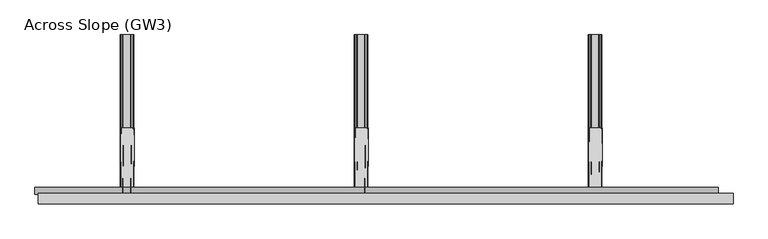
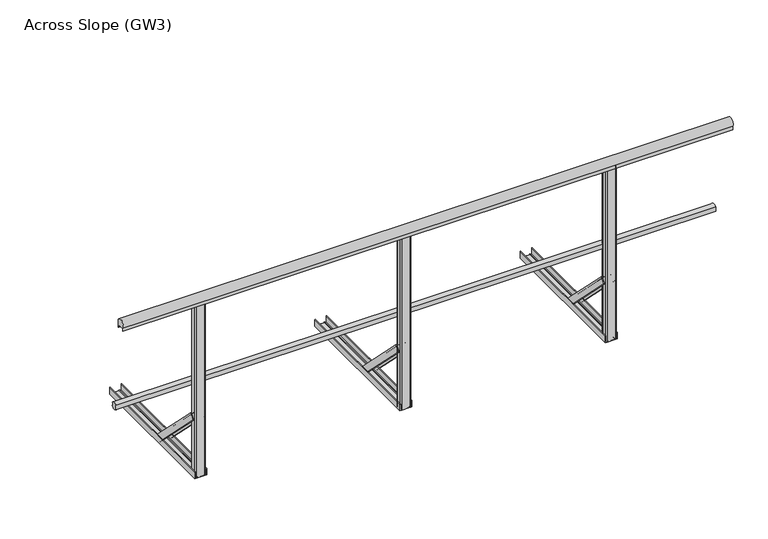
"""IFC4 building model written with IfcOpenShell, lengths in millimetres: railing geometry, Across Slope (GW3)."""

from ifc_helpers import new_model, si_unit, point, frame, frame_2d, origin, origin_with_axes, place, context, project, spatial, polyline, circle_curve, trimmed, segment, composite_curve, outline, extrude, source, transform, mapped, element, save
from ifc_brep_helpers import plane_surface, extruded_surface, advanced_brep


def across_slope_gw3_4c3cfd48(model_context):
    return source(origin(), model_context, "Body", "SolidModel", [
        extrude(outline(composite_curve([segment(trimmed(circle_curve(frame_2d((-746.287505, 528.0)), 20.0), [point((-727.7, 520.617273))], [point((-762.0, 515.6259343))], False, "CARTESIAN"), True, "CONTINUOUS"), segment(polyline([(-762.0, 515.6259343), (-762.0, 540.3740657)]), True, "CONTINUOUS"), segment(trimmed(circle_curve(frame_2d((-746.287505, 528.0)), 20.0), [point((-762.0, 540.3740657))], [point((-727.7, 535.382727))], False, "CARTESIAN"), True, "CONTINUOUS"), segment(polyline([(-727.7, 535.382727), (-731.7, 535.382727), (-731.7, 520.617273), (-727.7, 520.617273)]), True, "CONTINUOUS")], self_intersect=False)), frame((-410.0, 0.0, 0.0), z_axis=(1.0, 0.0, 0.0), x_axis=(0.0, 1.0, 0.0)), (0.0, 0.0, 1.0), 3255.4852492),
        extrude(outline(composite_curve([segment(trimmed(circle_curve(frame_2d((-781.0, 1015.0)), 25.0), [point((-802.0, 1001.43534))], [point((-760.0, 1001.43534))], False, "CARTESIAN"), True, "CONTINUOUS"), segment(polyline([(-760.0, 1001.43534), (-760.0, 983.0), (-761.0, 983.0), (-761.0, 998.0), (-801.0, 998.0), (-801.0, 983.0), (-802.0, 983.0), (-802.0, 1001.43534)]), True, "CONTINUOUS")], self_intersect=False)), frame((-395.0, 0.0, 0.0), z_axis=(1.0, 0.0, 0.0), x_axis=(0.0, 1.0, 0.0)), (0.0, 0.0, 1.0), 3310.4852492),
        extrude(outline(composite_curve([segment(trimmed(circle_curve(frame_2d((1119.7426246, -795.0)), 5.0), [point((1119.7426246, -800.0))], [point((1114.7426246, -795.0))], False, "CARTESIAN"), True, "CONTINUOUS"), segment(polyline([(1114.7426246, -795.0), (1114.7426246, -767.0)]), True, "CONTINUOUS"), segment(trimmed(circle_curve(frame_2d((1119.7426246, -767.0)), 5.0), [point((1114.7426246, -767.0))], [point((1119.7426246, -762.0))], False, "CARTESIAN"), True, "CONTINUOUS"), segment(polyline([(1119.7426246, -762.0), (1165.7426246, -762.0)]), True, "CONTINUOUS"), segment(trimmed(circle_curve(frame_2d((1165.7426246, -767.0)), 5.0), [point((1165.7426246, -762.0))], [point((1170.7426246, -767.0))], False, "CARTESIAN"), True, "CONTINUOUS"), segment(polyline([(1170.7426246, -767.0), (1170.7426246, -795.0)]), True, "CONTINUOUS"), segment(trimmed(circle_curve(frame_2d((1165.7426246, -795.0)), 5.0), [point((1170.7426246, -795.0))], [point((1165.7426246, -800.0))], False, "CARTESIAN"), True, "CONTINUOUS"), segment(polyline([(1165.7426246, -800.0), (1119.7426246, -800.0)]), True, "CONTINUOUS")], self_intersect=False)), origin_with_axes(), (0.0, 0.0, 1.0), 998.0),
        advanced_brep(
        [(1178.2426246, -443.7912606, 38.0), (1178.2426246, -469.6006581, 12.1906025), (1175.2426246, -469.6006581, 12.1906025), (1175.2426246, -445.9125809, 35.8786797), (1165.2426246, -445.9125809, 35.8786797), (1165.2426246, -447.6803479, 34.1109127), (1164.2426246, -447.6803479, 34.1109127), (1164.2426246, -445.9125809, 35.8786797), (1127.2426246, -445.9125809, 35.8786797), (1127.2426246, -447.6803479, 34.1109127), (1126.2426246, -447.6803479, 34.1109127), (1126.2426246, -445.9125809, 35.8786797), (1116.2426246, -445.9125809, 35.8786797), (1116.2426246, -469.6006581, 12.1906025), (1113.2426246, -469.6006581, 12.1906025), (1113.2426246, -443.7912606, 38.0), (1175.2426246, -761.9893121, 356.1980516), (1110.2426246, -761.9893121, 356.1980516), (1110.2426246, -787.7987096, 330.3886541), (1113.2426246, -787.7987096, 330.3886541), (1113.2426246, -764.1106324, 354.0767312), (1123.2426246, -764.1106324, 354.0767312), (1123.2426246, -765.8783994, 352.3089643), (1124.2426246, -765.8783994, 352.3089643), (1124.2426246, -764.1106324, 354.0767312), (1161.2426246, -764.1106324, 354.0767312), (1161.2426246, -765.8783994, 352.3089643), (1162.2426246, -765.8783994, 352.3089643), (1162.2426246, -764.1106324, 354.0767312), (1172.2426246, -764.1106324, 354.0767312), (1172.2426246, -787.7987096, 330.3886541), (1175.2426246, -787.7987096, 330.3886541)],
        [
            (0, 1),
            (1, 2, circle_curve(frame((1176.7426246, -469.6006581, 12.1906025), z_axis=(0.0, 0.7071067811865529, -0.7071067811865422), x_axis=(0.0, -0.7071067811865422, -0.7071067811865529)), 1.5)),
            (2, 3),
            (3, 4),
            (4, 5),
            (5, 6, circle_curve(frame((1164.7426246, -447.6803479, 34.1109127), z_axis=(0.0, 0.7071067811865529, -0.7071067811865422), x_axis=(0.0, -0.7071067811865422, -0.7071067811865529)), 0.5)),
            (6, 7),
            (7, 8),
            (8, 9),
            (9, 10, circle_curve(frame((1126.7426246, -447.6803479, 34.1109127), z_axis=(0.0, 0.7071067811865529, -0.7071067811865422), x_axis=(0.0, -0.7071067811865422, -0.7071067811865529)), 0.5)),
            (10, 11),
            (11, 12),
            (12, 13),
            (13, 14, circle_curve(frame((1114.7426246, -469.6006581, 12.1906025), z_axis=(0.0, 0.7071067811865529, -0.7071067811865422), x_axis=(0.0, -0.7071067811865422, -0.7071067811865529)), 1.5)),
            (14, 15),
            (15, 0),
            (16, 17),
            (17, 18),
            (18, 19, circle_curve(frame((1111.7426246, -787.7987096, 330.3886541), z_axis=(0.0, -0.7071067811865529, 0.7071067811865422), x_axis=(0.0, -0.7071067811865422, -0.7071067811865529)), 1.5)),
            (19, 20),
            (20, 21),
            (21, 22),
            (22, 23, circle_curve(frame((1123.7426246, -765.8783994, 352.3089643), z_axis=(0.0, -0.7071067811865529, 0.7071067811865422), x_axis=(0.0, -0.7071067811865422, -0.7071067811865529)), 0.5)),
            (23, 24),
            (24, 25),
            (25, 26),
            (26, 27, circle_curve(frame((1161.7426246, -765.8783994, 352.3089643), z_axis=(0.0, -0.7071067811865529, 0.7071067811865422), x_axis=(0.0, -0.7071067811865422, -0.7071067811865529)), 0.5)),
            (27, 28),
            (28, 29),
            (29, 30),
            (30, 31, circle_curve(frame((1173.7426246, -787.7987096, 330.3886541), z_axis=(0.0, -0.7071067811865529, 0.7071067811865422), x_axis=(0.0, -0.7071067811865422, -0.7071067811865529)), 1.5)),
            (31, 16),
            (31, 1),
            (0, 16),
            (30, 2),
            (29, 3),
            (28, 4),
            (27, 5),
            (26, 6),
            (25, 7),
            (24, 8),
            (23, 9),
            (22, 10),
            (21, 11),
            (20, 12),
            (19, 13),
            (18, 14),
            (17, 15),
        ],
        [
            plane_surface(frame((1145.7426246, -452.0113769, 29.7798837), z_axis=(0.0, 0.7071067811865528, -0.7071067811865424), x_axis=(0.0, -0.7071067811865424, -0.7071067811865528))),
            plane_surface(frame((1142.7426246, -770.2094284, 347.9779352), z_axis=(0.0, -0.7071067811865528, 0.7071067811865422), x_axis=(0.0, -0.7071067811865422, -0.7071067811865528))),
            plane_surface(frame((1175.2426246, -774.8940109, 343.2933528), z_axis=(0.9999777785184911, -0.004713940454846682, 0.004713940454842173), x_axis=(0.0, -0.7071067811865424, -0.7071067811865528))),
            extruded_surface(trimmed(circle_curve(frame((1173.7426246, -787.7987096, 330.3886541), z_axis=(0.0, 0.7071067811865529, -0.7071067811865422), x_axis=(0.0, -0.7071067811865422, -0.7071067811865529)), 1.5), [point((1175.2426246, -787.7987096, 330.3886541))], [point((1172.2426246, -787.7987096, 330.3886541))], True, "CARTESIAN"), (3.0, 318.1980515000001, -318.1980516), 450.00999991159415),
            plane_surface(frame((1172.2426246, -775.954671, 342.2326926), z_axis=(-0.9999777785184913, 0.004713940454846682, -0.004713940454842174), x_axis=(0.0, 0.7071067811865425, 0.7071067811865528))),
            plane_surface(frame((1167.2426246, -764.1106324, 354.0767312), z_axis=(0.0, -0.7071067811865427, -0.7071067811865523), x_axis=(-1.0, 0.0, 0.0))),
            plane_surface(frame((1162.2426246, -764.9945159, 353.1928478), z_axis=(0.9999777785184911, -0.0047139404548466575, 0.0047139404548422), x_axis=(0.0, -0.7071067811865461, -0.7071067811865489))),
            extruded_surface(trimmed(circle_curve(frame((1161.7426246, -765.8783994, 352.3089643), z_axis=(0.0, 0.7071067811865529, -0.7071067811865422), x_axis=(0.0, -0.7071067811865422, -0.7071067811865529)), 0.5), [point((1162.2426246, -765.8783994, 352.3089643))], [point((1161.2426246, -765.8783994, 352.3089643))], True, "CARTESIAN"), (3.0, 318.1980515, -318.1980516), 450.0099999115941),
            plane_surface(frame((1161.2426246, -764.9945159, 353.1928478), z_axis=(-0.9999777785184911, 0.004713940454846672, -0.004713940454842214), x_axis=(0.0, 0.7071067811865461, 0.7071067811865489))),
            plane_surface(frame((1142.7426246, -764.1106324, 354.0767312), z_axis=(0.0, -0.7071067811865427, -0.7071067811865523), x_axis=(-1.0, 0.0, 0.0))),
            plane_surface(frame((1124.2426246, -764.9945159, 353.1928478), z_axis=(0.9999777785184911, -0.0047139404548466645, 0.004713940454842207), x_axis=(0.0, -0.7071067811865461, -0.7071067811865489))),
            extruded_surface(trimmed(circle_curve(frame((1123.7426246, -765.8783994, 352.3089643), z_axis=(0.0, 0.7071067811865529, -0.7071067811865422), x_axis=(0.0, -0.7071067811865422, -0.7071067811865529)), 0.5), [point((1124.2426246, -765.8783994, 352.3089643))], [point((1123.2426246, -765.8783994, 352.3089643))], True, "CARTESIAN"), (3.0, 318.1980515, -318.1980516), 450.0099999115941),
            plane_surface(frame((1123.2426246, -764.9945159, 353.1928478), z_axis=(-0.9999777785184911, 0.004713940454846691, -0.004713940454842178), x_axis=(0.0, 0.7071067811865419, 0.7071067811865531))),
            plane_surface(frame((1118.2426246, -764.1106324, 354.0767312), z_axis=(0.0, -0.7071067811865425, -0.7071067811865526), x_axis=(-1.0, 0.0, 0.0))),
            plane_surface(frame((1113.2426246, -775.954671, 342.2326926), z_axis=(0.9999777785184913, -0.00471394045484669, 0.004713940454842181), x_axis=(0.0, -0.7071067811865425, -0.7071067811865528))),
            extruded_surface(trimmed(circle_curve(frame((1111.7426246, -787.7987096, 330.3886541), z_axis=(0.0, 0.7071067811865529, -0.7071067811865422), x_axis=(0.0, -0.7071067811865422, -0.7071067811865529)), 1.5), [point((1113.2426246, -787.7987096, 330.3886541))], [point((1110.2426246, -787.7987096, 330.3886541))], True, "CARTESIAN"), (3.0, 318.1980515000001, -318.1980516), 450.00999991159415),
            plane_surface(frame((1110.2426246, -774.8940109, 343.2933528), z_axis=(-0.9999777785184911, 0.0047139404548466905, -0.004713940454842179), x_axis=(0.0, 0.7071067811865421, 0.7071067811865529))),
            plane_surface(frame((1142.7426246, -761.9893121, 356.1980516), z_axis=(0.0, 0.707106781186543, 0.707106781186552), x_axis=(1.0, 0.0, 0.0))),
        ],
        [
            (0, [[1, 2, 3, 4, 5, 6, 7, 8, 9, 10, 11, 12, 13, 14, 15, 16]]),
            (1, [[17, 18, 19, 20, 21, 22, 23, 24, 25, 26, 27, 28, 29, 30, 31, 32]]),
            (2, [[-32, 33, -1, 34]]),
            (3, [[-31, 35, -2, -33]]),
            (4, [[-30, 36, -3, -35]]),
            (5, [[-29, 37, -4, -36]]),
            (6, [[-28, 38, -5, -37]]),
            (7, [[-27, 39, -6, -38]]),
            (8, [[-26, 40, -7, -39]]),
            (9, [[-25, 41, -8, -40]]),
            (10, [[-24, 42, -9, -41]]),
            (11, [[-23, 43, -10, -42]]),
            (12, [[-22, 44, -11, -43]]),
            (13, [[-21, 45, -12, -44]]),
            (14, [[-20, 46, -13, -45]]),
            (15, [[-19, 47, -14, -46]]),
            (16, [[-18, 48, -15, -47]]),
            (17, [[-17, -34, -16, -48]]),
        ],
    ),
        extrude(outline(composite_curve([segment(polyline([(0.0, 1175.2426246), (36.5, 1175.2426246)]), True, "CONTINUOUS"), segment(trimmed(circle_curve(frame_2d((36.5, 1173.7426246)), 1.5), [point((36.5, 1175.2426246))], [point((36.5, 1172.2426246))], False, "CARTESIAN"), True, "CONTINUOUS"), segment(polyline([(36.5, 1172.2426246), (3.0, 1172.2426246), (3.0, 1162.2426246), (5.5, 1162.2426246)]), True, "CONTINUOUS"), segment(trimmed(circle_curve(frame_2d((5.5, 1161.7426246)), 0.5), [point((5.5, 1162.2426246))], [point((5.5, 1161.2426246))], False, "CARTESIAN"), True, "CONTINUOUS"), segment(polyline([(5.5, 1161.2426246), (3.0, 1161.2426246), (3.0, 1124.2426246), (5.5, 1124.2426246)]), True, "CONTINUOUS"), segment(trimmed(circle_curve(frame_2d((5.5, 1123.7426246)), 0.5), [point((5.5, 1124.2426246))], [point((5.5, 1123.2426246))], False, "CARTESIAN"), True, "CONTINUOUS"), segment(polyline([(5.5, 1123.2426246), (3.0, 1123.2426246), (3.0, 1113.2426246), (36.5, 1113.2426246)]), True, "CONTINUOUS"), segment(trimmed(circle_curve(frame_2d((36.5, 1111.7426246)), 1.5), [point((36.5, 1113.2426246))], [point((36.5, 1110.2426246))], False, "CARTESIAN"), True, "CONTINUOUS"), segment(polyline([(36.5, 1110.2426246), (0.0, 1110.2426246), (0.0, 1175.2426246)]), True, "CONTINUOUS")], self_intersect=False)), frame((0.0, -800.0, 0.0), z_axis=(0.0, 1.0, 0.0), x_axis=(0.0, 0.0, 1.0)), (0.0, 0.0, 1.0), 800.0),
        extrude(outline(composite_curve([segment(trimmed(circle_curve(frame_2d((2234.4852492, -795.0)), 5.0), [point((2234.4852492, -800.0))], [point((2229.4852492, -795.0))], False, "CARTESIAN"), True, "CONTINUOUS"), segment(polyline([(2229.4852492, -795.0), (2229.4852492, -767.0)]), True, "CONTINUOUS"), segment(trimmed(circle_curve(frame_2d((2234.4852492, -767.0)), 5.0), [point((2229.4852492, -767.0))], [point((2234.4852492, -762.0))], False, "CARTESIAN"), True, "CONTINUOUS"), segment(polyline([(2234.4852492, -762.0), (2280.4852492, -762.0)]), True, "CONTINUOUS"), segment(trimmed(circle_curve(frame_2d((2280.4852492, -767.0)), 5.0), [point((2280.4852492, -762.0))], [point((2285.4852492, -767.0))], False, "CARTESIAN"), True, "CONTINUOUS"), segment(polyline([(2285.4852492, -767.0), (2285.4852492, -795.0)]), True, "CONTINUOUS"), segment(trimmed(circle_curve(frame_2d((2280.4852492, -795.0)), 5.0), [point((2285.4852492, -795.0))], [point((2280.4852492, -800.0))], False, "CARTESIAN"), True, "CONTINUOUS"), segment(polyline([(2280.4852492, -800.0), (2234.4852492, -800.0)]), True, "CONTINUOUS")], self_intersect=False)), origin_with_axes(), (0.0, 0.0, 1.0), 998.0),
        advanced_brep(
        [(2292.9852492, -443.7912606, 38.0), (2292.9852492, -469.6006581, 12.1906025), (2289.9852492, -469.6006581, 12.1906025), (2289.9852492, -445.9125809, 35.8786797), (2279.9852492, -445.9125809, 35.8786797), (2279.9852492, -447.6803479, 34.1109127), (2278.9852492, -447.6803479, 34.1109127), (2278.9852492, -445.9125809, 35.8786797), (2241.9852492, -445.9125809, 35.8786797), (2241.9852492, -447.6803479, 34.1109127), (2240.9852492, -447.6803479, 34.1109127), (2240.9852492, -445.9125809, 35.8786797), (2230.9852492, -445.9125809, 35.8786797), (2230.9852492, -469.6006581, 12.1906025), (2227.9852492, -469.6006581, 12.1906025), (2227.9852492, -443.7912606, 38.0), (2289.9852492, -761.9893121, 356.1980516), (2224.9852492, -761.9893121, 356.1980516), (2224.9852492, -787.7987096, 330.3886541), (2227.9852492, -787.7987096, 330.3886541), (2227.9852492, -764.1106324, 354.0767312), (2237.9852492, -764.1106324, 354.0767312), (2237.9852492, -765.8783994, 352.3089643), (2238.9852492, -765.8783994, 352.3089643), (2238.9852492, -764.1106324, 354.0767312), (2275.9852492, -764.1106324, 354.0767312), (2275.9852492, -765.8783994, 352.3089643), (2276.9852492, -765.8783994, 352.3089643), (2276.9852492, -764.1106324, 354.0767312), (2286.9852492, -764.1106324, 354.0767312), (2286.9852492, -787.7987096, 330.3886541), (2289.9852492, -787.7987096, 330.3886541)],
        [
            (0, 1),
            (1, 2, circle_curve(frame((2291.4852492, -469.6006581, 12.1906025), z_axis=(0.0, 0.7071067811865529, -0.7071067811865422), x_axis=(0.0, -0.7071067811865422, -0.7071067811865529)), 1.5)),
            (2, 3),
            (3, 4),
            (4, 5),
            (5, 6, circle_curve(frame((2279.4852492, -447.6803479, 34.1109127), z_axis=(0.0, 0.7071067811865529, -0.7071067811865422), x_axis=(0.0, -0.7071067811865422, -0.7071067811865529)), 0.5)),
            (6, 7),
            (7, 8),
            (8, 9),
            (9, 10, circle_curve(frame((2241.4852492, -447.6803479, 34.1109127), z_axis=(0.0, 0.7071067811865529, -0.7071067811865422), x_axis=(0.0, -0.7071067811865422, -0.7071067811865529)), 0.5)),
            (10, 11),
            (11, 12),
            (12, 13),
            (13, 14, circle_curve(frame((2229.4852492, -469.6006581, 12.1906025), z_axis=(0.0, 0.7071067811865529, -0.7071067811865422), x_axis=(0.0, -0.7071067811865422, -0.7071067811865529)), 1.5)),
            (14, 15),
            (15, 0),
            (16, 17),
            (17, 18),
            (18, 19, circle_curve(frame((2226.4852492, -787.7987096, 330.3886541), z_axis=(0.0, -0.7071067811865529, 0.7071067811865422), x_axis=(0.0, -0.7071067811865422, -0.7071067811865529)), 1.5)),
            (19, 20),
            (20, 21),
            (21, 22),
            (22, 23, circle_curve(frame((2238.4852492, -765.8783994, 352.3089643), z_axis=(0.0, -0.7071067811865529, 0.7071067811865422), x_axis=(0.0, -0.7071067811865422, -0.7071067811865529)), 0.5)),
            (23, 24),
            (24, 25),
            (25, 26),
            (26, 27, circle_curve(frame((2276.4852492, -765.8783994, 352.3089643), z_axis=(0.0, -0.7071067811865529, 0.7071067811865422), x_axis=(0.0, -0.7071067811865422, -0.7071067811865529)), 0.5)),
            (27, 28),
            (28, 29),
            (29, 30),
            (30, 31, circle_curve(frame((2288.4852492, -787.7987096, 330.3886541), z_axis=(0.0, -0.7071067811865529, 0.7071067811865422), x_axis=(0.0, -0.7071067811865422, -0.7071067811865529)), 1.5)),
            (31, 16),
            (31, 1),
            (0, 16),
            (30, 2),
            (29, 3),
            (28, 4),
            (27, 5),
            (26, 6),
            (25, 7),
            (24, 8),
            (23, 9),
            (22, 10),
            (21, 11),
            (20, 12),
            (19, 13),
            (18, 14),
            (17, 15),
        ],
        [
            plane_surface(frame((2260.4852492, -452.0113769, 29.7798837), z_axis=(0.0, 0.7071067811865528, -0.7071067811865424), x_axis=(0.0, -0.7071067811865424, -0.7071067811865528))),
            plane_surface(frame((2257.4852492, -770.2094284, 347.9779352), z_axis=(0.0, -0.7071067811865528, 0.7071067811865422), x_axis=(0.0, -0.7071067811865422, -0.7071067811865528))),
            plane_surface(frame((2289.9852492, -774.8940109, 343.2933528), z_axis=(0.9999777785184912, -0.004713940454838001, 0.004713940454842175), x_axis=(0.0, -0.7071067811865424, -0.7071067811865528))),
            extruded_surface(trimmed(circle_curve(frame((2288.4852492, -787.7987096, 330.3886541), z_axis=(0.0, 0.7071067811865529, -0.7071067811865422), x_axis=(0.0, -0.7071067811865422, -0.7071067811865529)), 1.5), [point((2289.9852492, -787.7987096, 330.3886541))], [point((2286.9852492, -787.7987096, 330.3886541))], True, "CARTESIAN"), (3.0, 318.1980515000001, -318.1980516), 450.00999991159415),
            plane_surface(frame((2286.9852492, -775.954671, 342.2326927), z_axis=(-0.9999777785184913, 0.0047139404548379995, -0.004713940454842174), x_axis=(0.0, 0.7071067811865425, 0.7071067811865528))),
            plane_surface(frame((2281.9852492, -764.1106324, 354.0767312), z_axis=(0.0, -0.7071067811865427, -0.7071067811865523), x_axis=(-1.0, 0.0, 0.0))),
            plane_surface(frame((2276.9852492, -764.9945159, 353.1928478), z_axis=(0.9999777785184911, -0.004713940454837976, 0.0047139404548422), x_axis=(0.0, -0.7071067811865461, -0.7071067811865489))),
            extruded_surface(trimmed(circle_curve(frame((2276.4852492, -765.8783994, 352.3089643), z_axis=(0.0, 0.7071067811865529, -0.7071067811865422), x_axis=(0.0, -0.7071067811865422, -0.7071067811865529)), 0.5), [point((2276.9852492, -765.8783994, 352.3089643))], [point((2275.9852492, -765.8783994, 352.3089643))], True, "CARTESIAN"), (3.0, 318.1980515, -318.1980516), 450.0099999115941),
            plane_surface(frame((2275.9852492, -764.9945159, 353.1928478), z_axis=(-0.9999777785184911, 0.00471394045483799, -0.004713940454842214), x_axis=(0.0, 0.7071067811865461, 0.7071067811865489))),
            plane_surface(frame((2257.4852492, -764.1106324, 354.0767312), z_axis=(0.0, -0.7071067811865427, -0.7071067811865523), x_axis=(-1.0, 0.0, 0.0))),
            plane_surface(frame((2238.9852492, -764.9945159, 353.1928478), z_axis=(0.9999777785184911, -0.004713940454837982, 0.004713940454842207), x_axis=(0.0, -0.7071067811865461, -0.7071067811865489))),
            extruded_surface(trimmed(circle_curve(frame((2238.4852492, -765.8783994, 352.3089643), z_axis=(0.0, 0.7071067811865529, -0.7071067811865422), x_axis=(0.0, -0.7071067811865422, -0.7071067811865529)), 0.5), [point((2238.9852492, -765.8783994, 352.3089643))], [point((2237.9852492, -765.8783994, 352.3089643))], True, "CARTESIAN"), (3.0, 318.1980515, -318.1980516), 450.0099999115941),
            plane_surface(frame((2237.9852492, -764.9945159, 353.1928478), z_axis=(-0.9999777785184911, 0.004713940454838009, -0.004713940454842178), x_axis=(0.0, 0.7071067811865419, 0.7071067811865531))),
            plane_surface(frame((2232.9852492, -764.1106324, 354.0767312), z_axis=(0.0, -0.7071067811865425, -0.7071067811865526), x_axis=(-1.0, 0.0, 0.0))),
            plane_surface(frame((2227.9852492, -775.954671, 342.2326927), z_axis=(0.9999777785184913, -0.004713940454838007, 0.004713940454842181), x_axis=(0.0, -0.7071067811865425, -0.7071067811865528))),
            extruded_surface(trimmed(circle_curve(frame((2226.4852492, -787.7987096, 330.3886541), z_axis=(0.0, 0.7071067811865529, -0.7071067811865422), x_axis=(0.0, -0.7071067811865422, -0.7071067811865529)), 1.5), [point((2227.9852492, -787.7987096, 330.3886541))], [point((2224.9852492, -787.7987096, 330.3886541))], True, "CARTESIAN"), (3.0, 318.1980515000001, -318.1980516), 450.00999991159415),
            plane_surface(frame((2224.9852492, -774.8940109, 343.2933528), z_axis=(-0.9999777785184911, 0.004713940454838008, -0.00471394045484218), x_axis=(0.0, 0.7071067811865421, 0.7071067811865529))),
            plane_surface(frame((2257.4852492, -761.9893121, 356.1980516), z_axis=(0.0, 0.707106781186543, 0.707106781186552), x_axis=(1.0, 0.0, 0.0))),
        ],
        [
            (0, [[1, 2, 3, 4, 5, 6, 7, 8, 9, 10, 11, 12, 13, 14, 15, 16]]),
            (1, [[17, 18, 19, 20, 21, 22, 23, 24, 25, 26, 27, 28, 29, 30, 31, 32]]),
            (2, [[-32, 33, -1, 34]]),
            (3, [[-31, 35, -2, -33]]),
            (4, [[-30, 36, -3, -35]]),
            (5, [[-29, 37, -4, -36]]),
            (6, [[-28, 38, -5, -37]]),
            (7, [[-27, 39, -6, -38]]),
            (8, [[-26, 40, -7, -39]]),
            (9, [[-25, 41, -8, -40]]),
            (10, [[-24, 42, -9, -41]]),
            (11, [[-23, 43, -10, -42]]),
            (12, [[-22, 44, -11, -43]]),
            (13, [[-21, 45, -12, -44]]),
            (14, [[-20, 46, -13, -45]]),
            (15, [[-19, 47, -14, -46]]),
            (16, [[-18, 48, -15, -47]]),
            (17, [[-17, -34, -16, -48]]),
        ],
    ),
        extrude(outline(composite_curve([segment(polyline([(0.0, 2289.9852492), (36.5, 2289.9852492)]), True, "CONTINUOUS"), segment(trimmed(circle_curve(frame_2d((36.5, 2288.4852492)), 1.5), [point((36.5, 2289.9852492))], [point((36.5, 2286.9852492))], False, "CARTESIAN"), True, "CONTINUOUS"), segment(polyline([(36.5, 2286.9852492), (3.0, 2286.9852492), (3.0, 2276.9852492), (5.5, 2276.9852492)]), True, "CONTINUOUS"), segment(trimmed(circle_curve(frame_2d((5.5, 2276.4852492)), 0.5), [point((5.5, 2276.9852492))], [point((5.5, 2275.9852492))], False, "CARTESIAN"), True, "CONTINUOUS"), segment(polyline([(5.5, 2275.9852492), (3.0, 2275.9852492), (3.0, 2238.9852492), (5.5, 2238.9852492)]), True, "CONTINUOUS"), segment(trimmed(circle_curve(frame_2d((5.5, 2238.4852492)), 0.5), [point((5.5, 2238.9852492))], [point((5.5, 2237.9852492))], False, "CARTESIAN"), True, "CONTINUOUS"), segment(polyline([(5.5, 2237.9852492), (3.0, 2237.9852492), (3.0, 2227.9852492), (36.5, 2227.9852492)]), True, "CONTINUOUS"), segment(trimmed(circle_curve(frame_2d((36.5, 2226.4852492)), 1.5), [point((36.5, 2227.9852492))], [point((36.5, 2224.9852492))], False, "CARTESIAN"), True, "CONTINUOUS"), segment(polyline([(36.5, 2224.9852492), (0.0, 2224.9852492), (0.0, 2289.9852492)]), True, "CONTINUOUS")], self_intersect=False)), frame((0.0, -800.0, 0.0), z_axis=(0.0, 1.0, 0.0), x_axis=(0.0, 0.0, 1.0)), (0.0, 0.0, 1.0), 800.0),
        extrude(outline(composite_curve([segment(trimmed(circle_curve(frame_2d((5.0, -795.0)), 5.0), [point((5.0, -800.0))], [point((0.0, -795.0))], False, "CARTESIAN"), True, "CONTINUOUS"), segment(polyline([(0.0, -795.0), (0.0, -767.0)]), True, "CONTINUOUS"), segment(trimmed(circle_curve(frame_2d((5.0, -767.0)), 5.0), [point((0.0, -767.0))], [point((5.0, -762.0))], False, "CARTESIAN"), True, "CONTINUOUS"), segment(polyline([(5.0, -762.0), (51.0, -762.0)]), True, "CONTINUOUS"), segment(trimmed(circle_curve(frame_2d((51.0, -767.0)), 5.0), [point((51.0, -762.0))], [point((56.0, -767.0))], False, "CARTESIAN"), True, "CONTINUOUS"), segment(polyline([(56.0, -767.0), (56.0, -795.0)]), True, "CONTINUOUS"), segment(trimmed(circle_curve(frame_2d((51.0, -795.0)), 5.0), [point((56.0, -795.0))], [point((51.0, -800.0))], False, "CARTESIAN"), True, "CONTINUOUS"), segment(polyline([(51.0, -800.0), (5.0, -800.0)]), True, "CONTINUOUS")], self_intersect=False)), origin_with_axes(), (0.0, 0.0, 1.0), 998.0),
        advanced_brep(
        [(63.5, -443.7912606, 38.0), (63.5, -469.6006581, 12.1906025), (60.5, -469.6006581, 12.1906025), (60.5, -445.9125809, 35.8786797), (50.5, -445.9125809, 35.8786797), (50.5, -447.6803479, 34.1109127), (49.5, -447.6803479, 34.1109127), (49.5, -445.9125809, 35.8786797), (12.5, -445.9125809, 35.8786797), (12.5, -447.6803479, 34.1109127), (11.5, -447.6803479, 34.1109127), (11.5, -445.9125809, 35.8786797), (1.5, -445.9125809, 35.8786797), (1.5, -469.6006581, 12.1906025), (-1.5, -469.6006581, 12.1906025), (-1.5, -443.7912606, 38.0), (60.5, -761.9893121, 356.1980515), (-4.5, -761.9893121, 356.1980515), (-4.5, -787.7987096, 330.388654), (-1.5, -787.7987096, 330.388654), (-1.5, -764.1106324, 354.0767312), (8.5, -764.1106324, 354.0767312), (8.5, -765.8783994, 352.3089642), (9.5, -765.8783994, 352.3089642), (9.5, -764.1106324, 354.0767312), (46.5, -764.1106324, 354.0767312), (46.5, -765.8783994, 352.3089642), (47.5, -765.8783994, 352.3089642), (47.5, -764.1106324, 354.0767312), (57.5, -764.1106324, 354.0767312), (57.5, -787.7987096, 330.388654), (60.5, -787.7987096, 330.388654)],
        [
            (0, 1),
            (1, 2, circle_curve(frame((62.0, -469.6006581, 12.1906025), z_axis=(0.0, 0.7071067811865529, -0.7071067811865422), x_axis=(0.0, -0.7071067811865422, -0.7071067811865529)), 1.5)),
            (2, 3),
            (3, 4),
            (4, 5),
            (5, 6, circle_curve(frame((50.0, -447.6803479, 34.1109127), z_axis=(0.0, 0.7071067811865529, -0.7071067811865422), x_axis=(0.0, -0.7071067811865422, -0.7071067811865529)), 0.5)),
            (6, 7),
            (7, 8),
            (8, 9),
            (9, 10, circle_curve(frame((12.0, -447.6803479, 34.1109127), z_axis=(0.0, 0.7071067811865529, -0.7071067811865422), x_axis=(0.0, -0.7071067811865422, -0.7071067811865529)), 0.5)),
            (10, 11),
            (11, 12),
            (12, 13),
            (13, 14, circle_curve(frame((0.0, -469.6006581, 12.1906025), z_axis=(0.0, 0.7071067811865529, -0.7071067811865422), x_axis=(0.0, -0.7071067811865422, -0.7071067811865529)), 1.5)),
            (14, 15),
            (15, 0),
            (16, 17),
            (17, 18),
            (18, 19, circle_curve(frame((-3.0, -787.7987096, 330.388654), z_axis=(0.0, -0.7071067811865529, 0.7071067811865422), x_axis=(0.0, -0.7071067811865422, -0.7071067811865529)), 1.5)),
            (19, 20),
            (20, 21),
            (21, 22),
            (22, 23, circle_curve(frame((9.0, -765.8783994, 352.3089642), z_axis=(0.0, -0.7071067811865529, 0.7071067811865422), x_axis=(0.0, -0.7071067811865422, -0.7071067811865529)), 0.5)),
            (23, 24),
            (24, 25),
            (25, 26),
            (26, 27, circle_curve(frame((47.0, -765.8783994, 352.3089642), z_axis=(0.0, -0.7071067811865529, 0.7071067811865422), x_axis=(0.0, -0.7071067811865422, -0.7071067811865529)), 0.5)),
            (27, 28),
            (28, 29),
            (29, 30),
            (30, 31, circle_curve(frame((59.0, -787.7987096, 330.388654), z_axis=(0.0, -0.7071067811865529, 0.7071067811865422), x_axis=(0.0, -0.7071067811865422, -0.7071067811865529)), 1.5)),
            (31, 16),
            (31, 1),
            (0, 16),
            (30, 2),
            (29, 3),
            (28, 4),
            (27, 5),
            (26, 6),
            (25, 7),
            (24, 8),
            (23, 9),
            (22, 10),
            (21, 11),
            (20, 12),
            (19, 13),
            (18, 14),
            (17, 15),
        ],
        [
            plane_surface(frame((31.0, -452.0113769, 29.7798837), z_axis=(0.0, 0.7071067811865528, -0.7071067811865424), x_axis=(0.0, -0.7071067811865424, -0.7071067811865528))),
            plane_surface(frame((28.0, -770.2094284, 347.9779352), z_axis=(0.0, -0.7071067811865528, 0.7071067811865422), x_axis=(0.0, -0.7071067811865422, -0.7071067811865528))),
            plane_surface(frame((60.5, -774.8940109, 343.2933528), z_axis=(0.9999777785184911, -0.004713940454845338, 0.004713940454842174), x_axis=(0.0, -0.7071067811865424, -0.7071067811865528))),
            extruded_surface(trimmed(circle_curve(frame((59.0, -787.7987096, 330.388654), z_axis=(0.0, 0.7071067811865529, -0.7071067811865422), x_axis=(0.0, -0.7071067811865422, -0.7071067811865529)), 1.5), [point((60.5, -787.7987096, 330.388654))], [point((57.5, -787.7987096, 330.388654))], True, "CARTESIAN"), (3.0, 318.1980515000001, -318.19805149999996), 450.00999984088503),
            plane_surface(frame((57.5, -775.954671, 342.2326926), z_axis=(-0.9999777785184913, 0.004713940454845338, -0.004713940454842175), x_axis=(0.0, 0.7071067811865425, 0.7071067811865528))),
            plane_surface(frame((52.5, -764.1106324, 354.0767312), z_axis=(0.0, -0.7071067811865427, -0.7071067811865523), x_axis=(-1.0, 0.0, 0.0))),
            plane_surface(frame((47.5, -764.9945159, 353.1928477), z_axis=(0.9999777785184911, -0.004713940454845314, 0.004713940454842201), x_axis=(0.0, -0.7071067811865461, -0.7071067811865489))),
            extruded_surface(trimmed(circle_curve(frame((47.0, -765.8783994, 352.3089642), z_axis=(0.0, 0.7071067811865529, -0.7071067811865422), x_axis=(0.0, -0.7071067811865422, -0.7071067811865529)), 0.5), [point((47.5, -765.8783994, 352.3089642))], [point((46.5, -765.8783994, 352.3089642))], True, "CARTESIAN"), (3.0, 318.1980515, -318.1980515), 450.00999984088503),
            plane_surface(frame((46.5, -764.9945159, 353.1928477), z_axis=(-0.9999777785184911, 0.004713940454845328, -0.004713940454842215), x_axis=(0.0, 0.7071067811865461, 0.7071067811865489))),
            plane_surface(frame((28.0, -764.1106324, 354.0767312), z_axis=(0.0, -0.7071067811865427, -0.7071067811865523), x_axis=(-1.0, 0.0, 0.0))),
            plane_surface(frame((9.5, -764.9945159, 353.1928477), z_axis=(0.9999777785184911, -0.004713940454845321, 0.004713940454842208), x_axis=(0.0, -0.7071067811865461, -0.7071067811865489))),
            extruded_surface(trimmed(circle_curve(frame((9.0, -765.8783994, 352.3089642), z_axis=(0.0, 0.7071067811865529, -0.7071067811865422), x_axis=(0.0, -0.7071067811865422, -0.7071067811865529)), 0.5), [point((9.5, -765.8783994, 352.3089642))], [point((8.5, -765.8783994, 352.3089642))], True, "CARTESIAN"), (3.0, 318.1980515, -318.1980515), 450.00999984088503),
            plane_surface(frame((8.5, -764.9945159, 353.1928477), z_axis=(-0.9999777785184911, 0.004713940454845348, -0.0047139404548421785), x_axis=(0.0, 0.7071067811865419, 0.7071067811865531))),
            plane_surface(frame((3.5, -764.1106324, 354.0767312), z_axis=(0.0, -0.7071067811865425, -0.7071067811865526), x_axis=(-1.0, 0.0, 0.0))),
            plane_surface(frame((-1.5, -775.954671, 342.2326926), z_axis=(0.9999777785184913, -0.004713940454845345, 0.004713940454842182), x_axis=(0.0, -0.7071067811865425, -0.7071067811865528))),
            extruded_surface(trimmed(circle_curve(frame((-3.0, -787.7987096, 330.388654), z_axis=(0.0, 0.7071067811865529, -0.7071067811865422), x_axis=(0.0, -0.7071067811865422, -0.7071067811865529)), 1.5), [point((-1.5, -787.7987096, 330.388654))], [point((-4.5, -787.7987096, 330.388654))], True, "CARTESIAN"), (3.0, 318.1980515000001, -318.19805149999996), 450.00999984088503),
            plane_surface(frame((-4.5, -774.8940109, 343.2933528), z_axis=(-0.9999777785184911, 0.004713940454845347, -0.00471394045484218), x_axis=(0.0, 0.7071067811865421, 0.7071067811865529))),
            plane_surface(frame((28.0, -761.9893121, 356.1980515), z_axis=(0.0, 0.707106781186543, 0.707106781186552), x_axis=(1.0, 0.0, 0.0))),
        ],
        [
            (0, [[1, 2, 3, 4, 5, 6, 7, 8, 9, 10, 11, 12, 13, 14, 15, 16]]),
            (1, [[17, 18, 19, 20, 21, 22, 23, 24, 25, 26, 27, 28, 29, 30, 31, 32]]),
            (2, [[-32, 33, -1, 34]]),
            (3, [[-31, 35, -2, -33]]),
            (4, [[-30, 36, -3, -35]]),
            (5, [[-29, 37, -4, -36]]),
            (6, [[-28, 38, -5, -37]]),
            (7, [[-27, 39, -6, -38]]),
            (8, [[-26, 40, -7, -39]]),
            (9, [[-25, 41, -8, -40]]),
            (10, [[-24, 42, -9, -41]]),
            (11, [[-23, 43, -10, -42]]),
            (12, [[-22, 44, -11, -43]]),
            (13, [[-21, 45, -12, -44]]),
            (14, [[-20, 46, -13, -45]]),
            (15, [[-19, 47, -14, -46]]),
            (16, [[-18, 48, -15, -47]]),
            (17, [[-17, -34, -16, -48]]),
        ],
    ),
        extrude(outline(composite_curve([segment(polyline([(0.0, 60.5), (36.5, 60.5)]), True, "CONTINUOUS"), segment(trimmed(circle_curve(frame_2d((36.5, 59.0)), 1.5), [point((36.5, 60.5))], [point((36.5, 57.5))], False, "CARTESIAN"), True, "CONTINUOUS"), segment(polyline([(36.5, 57.5), (3.0, 57.5), (3.0, 47.5), (5.5, 47.5)]), True, "CONTINUOUS"), segment(trimmed(circle_curve(frame_2d((5.5, 47.0)), 0.5), [point((5.5, 47.5))], [point((5.5, 46.5))], False, "CARTESIAN"), True, "CONTINUOUS"), segment(polyline([(5.5, 46.5), (3.0, 46.5), (3.0, 9.5), (5.5, 9.5)]), True, "CONTINUOUS"), segment(trimmed(circle_curve(frame_2d((5.5, 9.0)), 0.5), [point((5.5, 9.5))], [point((5.5, 8.5))], False, "CARTESIAN"), True, "CONTINUOUS"), segment(polyline([(5.5, 8.5), (3.0, 8.5), (3.0, -1.5), (36.5, -1.5)]), True, "CONTINUOUS"), segment(trimmed(circle_curve(frame_2d((36.5, -3.0)), 1.5), [point((36.5, -1.5))], [point((36.5, -4.5))], False, "CARTESIAN"), True, "CONTINUOUS"), segment(polyline([(36.5, -4.5), (0.0, -4.5), (0.0, 60.5)]), True, "CONTINUOUS")], self_intersect=False)), frame((0.0, -800.0, 0.0), z_axis=(0.0, 1.0, 0.0), x_axis=(0.0, 0.0, 1.0)), (0.0, 0.0, 1.0), 800.0),
    ])


if __name__ == "__main__":
    model = new_model("IFC4")
    model_context = context("Model", 3, world=origin())
    ifc_project = project(units=[si_unit("LENGTHUNIT", "METRE", prefix="MILLI")], contexts=[model_context])
    site = spatial("IfcSite", under=ifc_project)
    building = spatial("IfcBuilding", under=site)
    placement = place(None, origin())
    across_slope_gw3_shape = across_slope_gw3_4c3cfd48(model_context)
    element("IfcRailing", 1, ObjectType="Across Slope (GW3)", at=placement, inside=building, context=model_context, shape_type="MappedRepresentation", body=[
        mapped(across_slope_gw3_shape, transform((0.0, 0.0, 0.0), x_axis=(1.0, 0.0, 0.0), y_axis=(0.0, 1.0, 0.0), z_axis=(0.0, 0.0, 1.0))),
    ])
    save(model, "model.ifc")
